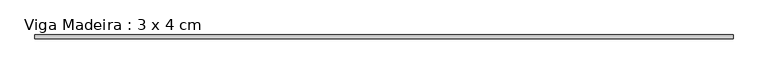
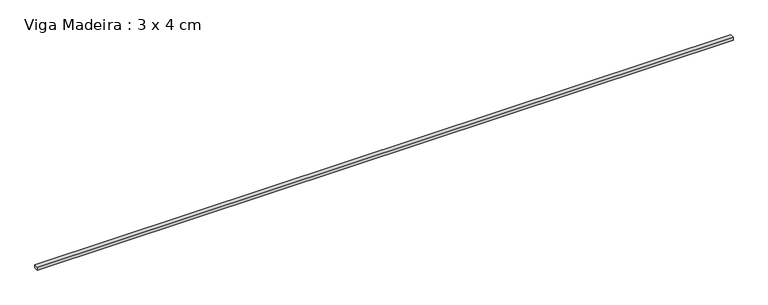
"""IFC4 building model written with IfcOpenShell, lengths in millimetres: beam geometry, Viga Madeira : 3 x 4 cm."""

from ifc_helpers import new_model, si_unit, frame, origin, place, context, project, spatial, polyline, outline, extrude, source, transform, mapped, element, save


def viga_madeira_3_x_4_cm_79dea5a0(model_context):
    return source(origin(), model_context, "Body", "SweptSolid", [
        extrude(outline(polyline([(3451.7880821, 20.0), (3451.7880821, -20.0), (-3451.7880821, -20.0), (-3451.7880821, 20.0), (3451.7880821, 20.0)])), frame((0.0, 0.0, -15.0), z_axis=(0.0, 0.0, 1.0), x_axis=(1.0, 0.0, 0.0)), (0.0, 0.0, 1.0), 30.0),
    ])


if __name__ == "__main__":
    model = new_model("IFC4")
    model_context = context("Model", 3, world=origin())
    ifc_project = project(units=[si_unit("LENGTHUNIT", "METRE", prefix="MILLI")], contexts=[model_context])
    site = spatial("IfcSite", under=ifc_project)
    building = spatial("IfcBuilding", under=site)
    placement = place(None, origin())
    viga_madeira_3_x_4_cm_shape = viga_madeira_3_x_4_cm_79dea5a0(model_context)
    element("IfcBeam", 1, ObjectType="Viga Madeira : 3 x 4 cm", at=placement, inside=building, context=model_context, shape_type="MappedRepresentation", body=[
        mapped(viga_madeira_3_x_4_cm_shape, transform((0.0, 0.0, 0.0), x_axis=(1.0, 0.0, 0.0), y_axis=(0.0, 1.0, 0.0), z_axis=(0.0, 0.0, 1.0))),
    ])
    save(model, "model.ifc")
